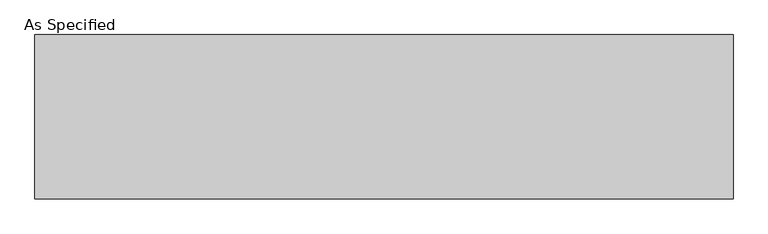
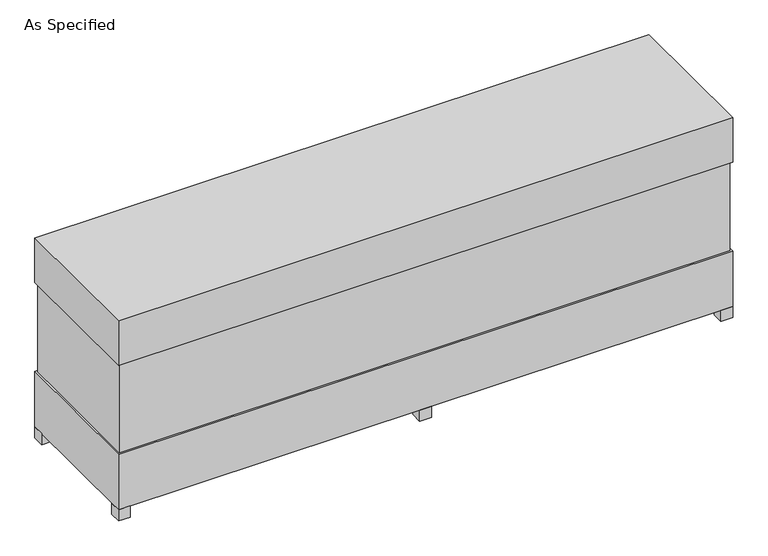
"""IFC4 building model written with IfcOpenShell, lengths in millimetres: proxy geometry, As Specified."""

from ifc_helpers import new_model, si_unit, frame, origin, origin_with_axes, place, context, project, spatial, polyline, outline, extrude, source, transform, mapped, element, save


def as_specified_0b9e6736(model_context):
    return source(origin(), model_context, "Body", "SweptSolid", [
        extrude(outline(polyline([(1982.7875, 458.7875), (1982.7875, -458.7875), (-1982.7875, -458.7875), (-1982.7875, 458.7875), (1982.7875, 458.7875)])), frame((0.0, 0.0, 457.2), z_axis=(0.0, 0.0, 1.0), x_axis=(1.0, 0.0, 0.0)), (0.0, 0.0, 1.0), 609.6),
        extrude(outline(polyline([(1993.9, 469.9), (1993.9, -469.9), (-1993.9, -469.9), (-1993.9, 469.9), (1993.9, 469.9)])), frame((0.0, 0.0, 1066.8), z_axis=(0.0, 0.0, 1.0), x_axis=(1.0, 0.0, 0.0)), (0.0, 0.0, 1.0), 304.8),
        extrude(outline(polyline([(1879.6, 254.0), (1879.6, 177.8), (1803.4, 177.8), (1803.4, 254.0), (1879.6, 254.0)])), frame((0.0, 0.0, 50.8), z_axis=(0.0, 0.0, 1.0), x_axis=(1.0, 0.0, 0.0)), (0.0, 0.0, 1.0), 25.4),
        extrude(outline(polyline([(1879.6, -177.8), (1879.6, -254.0), (1803.4, -254.0), (1803.4, -177.8), (1879.6, -177.8)])), frame((0.0, 0.0, 50.8), z_axis=(0.0, 0.0, 1.0), x_axis=(1.0, 0.0, 0.0)), (0.0, 0.0, 1.0), 25.4),
        extrude(outline(polyline([(-1917.7, 469.9), (-1917.7, 393.7), (-1993.9, 393.7), (-1993.9, 469.9), (-1917.7, 469.9)])), origin_with_axes(), (0.0, 0.0, 1.0), 76.2),
        extrude(outline(polyline([(1993.9, 469.9), (1993.9, 393.7), (1917.7, 393.7), (1917.7, 469.9), (1993.9, 469.9)])), origin_with_axes(), (0.0, 0.0, 1.0), 76.2),
        extrude(outline(polyline([(1993.9, -393.7), (1993.9, -469.9), (1917.7, -469.9), (1917.7, -393.7), (1993.9, -393.7)])), origin_with_axes(), (0.0, 0.0, 1.0), 76.2),
        extrude(outline(polyline([(-1917.7, -393.7), (-1917.7, -469.9), (-1993.9, -469.9), (-1993.9, -393.7), (-1917.7, -393.7)])), origin_with_axes(), (0.0, 0.0, 1.0), 76.2),
        extrude(outline(polyline([(38.1, 469.9), (38.1, 393.7), (-38.1, 393.7), (-38.1, 469.9), (38.1, 469.9)])), origin_with_axes(), (0.0, 0.0, 1.0), 76.2),
        extrude(outline(polyline([(38.1, -393.7), (38.1, -469.9), (-38.1, -469.9), (-38.1, -393.7), (38.1, -393.7)])), origin_with_axes(), (0.0, 0.0, 1.0), 76.2),
        extrude(outline(polyline([(1993.9, 469.9), (1993.9, -469.9), (-1993.9, -469.9), (-1993.9, 469.9), (1993.9, 469.9)])), frame((0.0, 0.0, 76.2), z_axis=(0.0, 0.0, 1.0), x_axis=(1.0, 0.0, 0.0)), (0.0, 0.0, 1.0), 381.0),
    ])


if __name__ == "__main__":
    model = new_model("IFC4")
    model_context = context("Model", 3, world=origin())
    ifc_project = project(units=[si_unit("LENGTHUNIT", "METRE", prefix="MILLI")], contexts=[model_context])
    site = spatial("IfcSite", under=ifc_project)
    building = spatial("IfcBuilding", under=site)
    placement = place(None, origin())
    as_specified_shape = as_specified_0b9e6736(model_context)
    element("IfcBuildingElementProxy", 1, Name="As Specified", ObjectType="As Specified", at=placement, inside=building, context=model_context, shape_type="MappedRepresentation", body=[
        mapped(as_specified_shape, transform((0.0, 0.0, 0.0), x_axis=(1.0, 0.0, 0.0), y_axis=(0.0, 1.0, 0.0), z_axis=(0.0, 0.0, 1.0))),
    ])
    save(model, "model.ifc")
